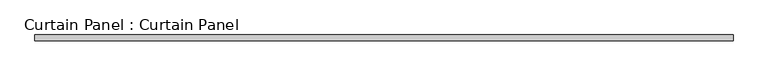
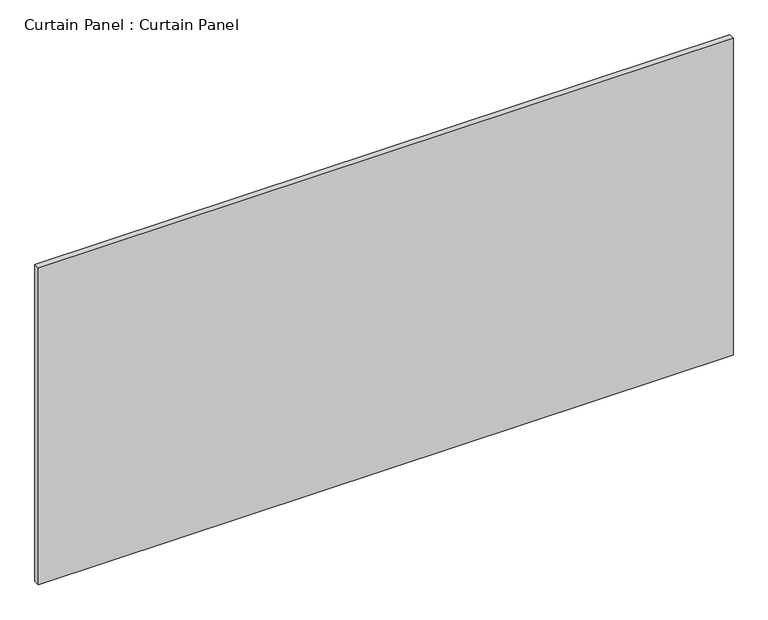
"""IFC4 building model written with IfcOpenShell, lengths in millimetres: plate geometry, Curtain Panel : Curtain Panel."""

import ifcopenshell
import ifcopenshell.guid

model = None  # the IFC model being written
_history = None  # IfcOwnerHistory: only IFC2X3 demands one
_inside = {}  # id of a spatial element -> (the spatial element, [elements in it])
_under = {}  # id of a project, library or spatial element -> (it, [spatial elements below it])
_declared = {}  # id of a project -> (the project, [libraries it declares])
_typed = {}  # id of a type object -> (the type object, [elements of that type])
_made_of = {}  # id of a material, layer set ... -> (it, [elements and type objects made of it])


def new_model(schema):
    """Start an empty IFC model of exactly this schema.

    Asked for "IFC4X3", IfcOpenShell would pick the latest addendum, in which some entities
    have other attributes; the version numbers below select the first issue.
    IFC2X3 requires an IfcOwnerHistory on every rooted entity: one is made here for all.
    """
    global model, _history
    if schema == "IFC4X3":
        model = ifcopenshell.file(schema_version=(4, 3, 0, 0))
    else:
        model = ifcopenshell.file(schema=schema)
    _inside.clear()
    _under.clear()
    _declared.clear()
    _typed.clear()
    _made_of.clear()
    _history = None
    if model.schema == "IFC2X3":
        org = make("IfcOrganization", Name="unknown")
        user = make(
            "IfcPersonAndOrganization",
            ThePerson=make("IfcPerson", FamilyName="unknown"),
            TheOrganization=org,
        )
        app = make(
            "IfcApplication",
            ApplicationDeveloper=org,
            Version="unknown",
            ApplicationFullName="unknown",
            ApplicationIdentifier="unknown",
        )
        _history = make(
            "IfcOwnerHistory",
            OwningUser=user,
            OwningApplication=app,
            ChangeAction="ADDED",
            CreationDate=0,
        )
    return model


def make(cls, **values):
    """One entity of the class cls with the attributes given. An attribute that is None is left unset."""
    return model.create_entity(
        cls, **{name: value for name, value in values.items() if value is not None}
    )


def rooted(cls, **values):
    """An entity with a GlobalId (a new one), such as an element, a storey or a relation."""
    return make(cls, GlobalId=ifcopenshell.guid.new(), OwnerHistory=_history, **values)


def si_unit(unit_type, name, prefix=None):
    """IfcSIUnit, for example si_unit("LENGTHUNIT", "METRE", prefix="MILLI")."""
    return make("IfcSIUnit", UnitType=unit_type, Prefix=prefix, Name=name)


def assignment(units):
    """IfcUnitAssignment: the units of a project."""
    return None if units is None else make("IfcUnitAssignment", Units=units)


def point(xyz):
    """IfcCartesianPoint."""
    return None if xyz is None else make("IfcCartesianPoint", Coordinates=xyz)


def direction(xyz):
    """IfcDirection."""
    return None if xyz is None else make("IfcDirection", DirectionRatios=xyz)


def frame(location, z_axis=None, x_axis=None):
    """IfcAxis2Placement3D, a coordinate frame: its origin and axes. An axis left out is left unset."""
    return make(
        "IfcAxis2Placement3D",
        Location=point(location),
        Axis=direction(z_axis),
        RefDirection=direction(x_axis),
    )


def origin():
    """The frame at (0, 0, 0) with its axes left unset."""
    return frame((0.0, 0.0, 0.0))


def place(relative_to, where):
    """IfcLocalPlacement: puts the frame where relative to a parent placement (None: the world)."""
    return make(
        "IfcLocalPlacement", PlacementRelTo=relative_to, RelativePlacement=where
    )


def context(
    kind, dimensions, precision=None, world=None, true_north=None, identifier=None
):
    """IfcGeometricRepresentationContext, for example the 3D "Model" context."""
    return make(
        "IfcGeometricRepresentationContext",
        ContextIdentifier=identifier,
        ContextType=kind,
        CoordinateSpaceDimension=dimensions,
        Precision=precision,
        WorldCoordinateSystem=world,
        TrueNorth=true_north,
    )


def project(units=None, contexts=None):
    """IfcProject with its units and contexts."""
    return rooted(
        "IfcProject",
        Name="project",
        RepresentationContexts=contexts,
        UnitsInContext=assignment(units),
    )


def spatial(cls, under=None, at=None, **own):
    """A site, building, storey or space (cls), placed at a placement, below another one or the project."""
    s = rooted(cls, ObjectPlacement=at, **own)
    if under is not None:
        _under.setdefault(under.id(), (under, []))[1].append(s)
    return s


def polyline(points):
    """IfcPolyline through the points."""
    return make("IfcPolyline", Points=[point(p) for p in points])


def outline(outer, holes=None, kind="AREA"):
    """IfcArbitraryClosedProfileDef: a profile drawn as a closed curve; with holes, ...WithVoids."""
    if holes is None:
        return make("IfcArbitraryClosedProfileDef", ProfileType=kind, OuterCurve=outer)
    return make(
        "IfcArbitraryProfileDefWithVoids",
        ProfileType=kind,
        OuterCurve=outer,
        InnerCurves=holes,
    )


def extrude(swept, where, along, depth):
    """IfcExtrudedAreaSolid: the profile swept, set in the frame where, extruded along a direction by depth."""
    return make(
        "IfcExtrudedAreaSolid",
        SweptArea=swept,
        Position=where,
        ExtrudedDirection=direction(along),
        Depth=depth,
    )


def shape(context_of_items, identifier, shape_type, items):
    """IfcShapeRepresentation: the items that make up one representation, for example the "Body"."""
    return make(
        "IfcShapeRepresentation",
        ContextOfItems=context_of_items,
        RepresentationIdentifier=identifier,
        RepresentationType=shape_type,
        Items=items,
    )


def source(mapping_origin, context_of_items, identifier, shape_type, items):
    """IfcRepresentationMap: a shape defined once, which mapped items show again and again."""
    return make(
        "IfcRepresentationMap",
        MappingOrigin=mapping_origin,
        MappedRepresentation=shape(context_of_items, identifier, shape_type, items),
    )


def transform(
    local_origin,
    x_axis=None,
    y_axis=None,
    z_axis=None,
    scale=None,
    scale2=None,
    scale3=None,
    uniform=True,
):
    """IfcCartesianTransformationOperator3D, or its non-uniform kind. x_axis, y_axis, z_axis: its Axis1, 2, 3."""
    if uniform:
        return make(
            "IfcCartesianTransformationOperator3D",
            Axis1=direction(x_axis),
            Axis2=direction(y_axis),
            LocalOrigin=point(local_origin),
            Scale=scale,
            Axis3=direction(z_axis),
        )
    return make(
        "IfcCartesianTransformationOperator3DnonUniform",
        Axis1=direction(x_axis),
        Axis2=direction(y_axis),
        LocalOrigin=point(local_origin),
        Scale=scale,
        Axis3=direction(z_axis),
        Scale2=scale2,
        Scale3=scale3,
    )


def mapped(mapping_source, mapping_target):
    """IfcMappedItem: shows the shape of a source again, moved by a transform."""
    return make(
        "IfcMappedItem", MappingSource=mapping_source, MappingTarget=mapping_target
    )


def made_of(thing, what):
    """Note that an element or type object is made of a material, layer set ...; save() writes the relation."""
    if what is not None:
        _made_of.setdefault(what.id(), (what, []))[1].append(thing)
    return thing


def element(
    cls,
    number,
    at=None,
    inside=None,
    cuts=None,
    type_object=None,
    material=None,
    context=None,
    identifier="Body",
    shape_type=None,
    held_by="IfcProductDefinitionShape",
    body=None,
    shapes=None,
    **own,
):
    """One element of the class cls, such as IfcWall. Its Tag is "e" and its number.

    at: its placement. inside: the storey or other place that contains it. cuts: it is an
    opening in that element (IfcRelVoidsElement). A single representation is given by context,
    identifier, shape_type and body (its items); several are given by shapes. held_by: the class
    of the entity that holds the representations. save() writes the other relations.
    """
    e = rooted(cls, Tag="e%d" % number, ObjectPlacement=at, **own)
    if body is not None:
        shapes = [shape(context, identifier, shape_type, body)]
    if shapes is not None:
        e.Representation = make(held_by, Representations=shapes)
    if inside is not None:
        _inside.setdefault(inside.id(), (inside, []))[1].append(e)
    if cuts is not None:
        rooted(
            "IfcRelVoidsElement", RelatingBuildingElement=cuts, RelatedOpeningElement=e
        )
    if type_object is not None:
        _typed.setdefault(type_object.id(), (type_object, []))[1].append(e)
    return made_of(e, material)


def aggregate(whole, parts):
    """IfcRelAggregates: a whole, such as a stair, and the parts it consists of."""
    return rooted("IfcRelAggregates", RelatingObject=whole, RelatedObjects=parts)


def save(model, path):
    """Write the relations noted so far, then the file.

    IfcRelAggregates (storeys below a building ...), IfcRelContainedInSpatialStructure (elements
    in a storey), IfcRelDefinesByType, IfcRelAssociatesMaterial and IfcRelDeclares: one each for
    every whole, place, type object, material and project.
    """
    for whole, parts in _under.values():
        aggregate(whole, parts)
    for where, things in _inside.values():
        rooted(
            "IfcRelContainedInSpatialStructure",
            RelatedElements=things,
            RelatingStructure=where,
        )
    for kind, things in _typed.values():
        rooted("IfcRelDefinesByType", RelatedObjects=things, RelatingType=kind)
    for what, things in _made_of.values():
        rooted("IfcRelAssociatesMaterial", RelatedObjects=things, RelatingMaterial=what)
    for by, libraries in _declared.values():
        rooted("IfcRelDeclares", RelatingContext=by, RelatedDefinitions=libraries)
    model.write(path)


def curtain_panel_curtain_panel_e72f04e6(model_context):
    return source(origin(), model_context, "Body", "SweptSolid", [
        extrude(outline(polyline([(-111623.8096152, -9130.4431787), (-114573.4305895, -9130.4431787), (-114573.4305895, -9105.0431787), (-111623.8096152, -9105.0431787), (-111623.8096152, -9130.4431787)])), frame((0.0, 0.0, 132.953125), z_axis=(0.0, 0.0, 1.0), x_axis=(1.0, 0.0, 0.0)), (0.0, 0.0, 1.0), 1422.4),
    ])


if __name__ == "__main__":
    model = new_model("IFC4")
    model_context = context("Model", 3, world=origin())
    ifc_project = project(units=[si_unit("LENGTHUNIT", "METRE", prefix="MILLI")], contexts=[model_context])
    site = spatial("IfcSite", under=ifc_project)
    building = spatial("IfcBuilding", under=site)
    placement = place(None, origin())
    curtain_panel_curtain_panel_shape = curtain_panel_curtain_panel_e72f04e6(model_context)
    element("IfcPlate", 1, ObjectType="Curtain Panel : Curtain Panel", at=placement, inside=building, context=model_context, shape_type="MappedRepresentation", body=[
        mapped(curtain_panel_curtain_panel_shape, transform((0.0, 0.0, 0.0), x_axis=(1.0, 0.0, 0.0), y_axis=(0.0, 1.0, 0.0), z_axis=(0.0, 0.0, 1.0))),
    ])
    save(model, "model.ifc")
